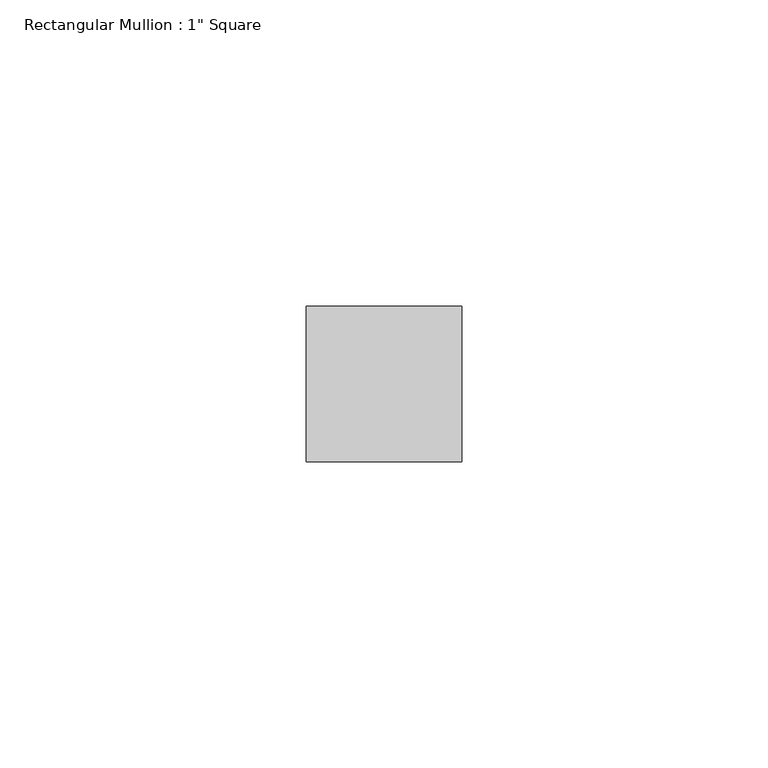
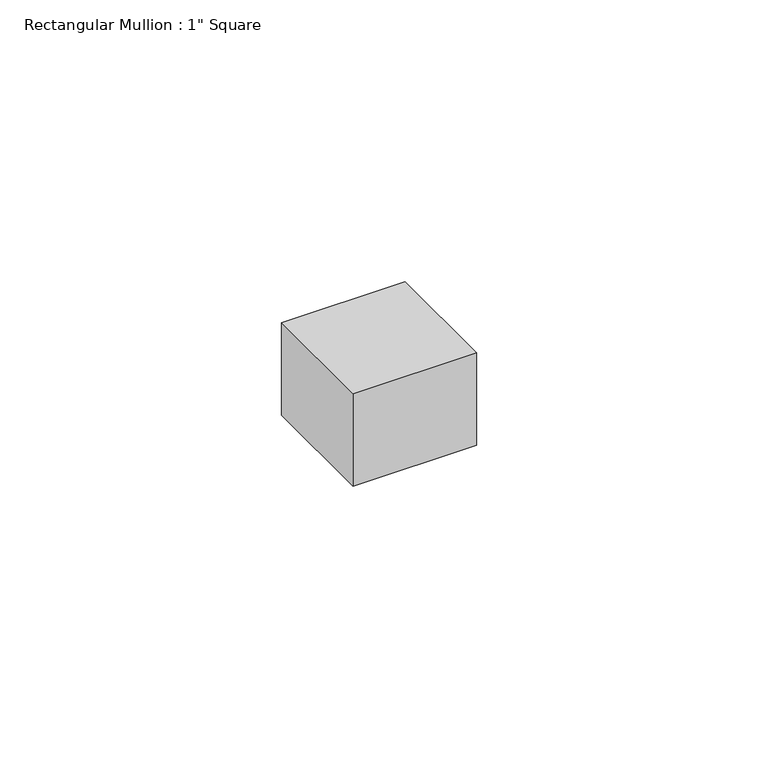
"""IFC4 building model written with IfcOpenShell, lengths in millimetres: member geometry."""

from ifc_helpers import new_model, si_unit, frame, origin, place, context, project, spatial, polyline, outline, extrude, source, transform, mapped, element, save


def member_9f8c7080(model_context):
    return source(origin(), model_context, "Body", "SweptSolid", [
        extrude(outline(polyline([(12.7, 12.7), (12.7, -12.7), (-12.7, -12.7), (-12.7, 12.7), (12.7, 12.7)])), frame((0.0, 0.0, -20.1272685), z_axis=(0.0, 0.0, 1.0), x_axis=(1.0, 0.0, 0.0)), (0.0, 0.0, 1.0), 20.1272685),
    ])


if __name__ == "__main__":
    model = new_model("IFC4")
    model_context = context("Model", 3, world=origin())
    ifc_project = project(units=[si_unit("LENGTHUNIT", "METRE", prefix="MILLI")], contexts=[model_context])
    site = spatial("IfcSite", under=ifc_project)
    building = spatial("IfcBuilding", under=site)
    placement = place(None, origin())
    member_shape = member_9f8c7080(model_context)
    element("IfcMember", 1, ObjectType="Rectangular Mullion : 1\" Square", at=placement, inside=building, context=model_context, shape_type="MappedRepresentation", body=[
        mapped(member_shape, transform((0.0, 0.0, 0.0), x_axis=(1.0, 0.0, 0.0), y_axis=(0.0, 1.0, 0.0), z_axis=(0.0, 0.0, 1.0))),
    ])
    save(model, "model.ifc")
